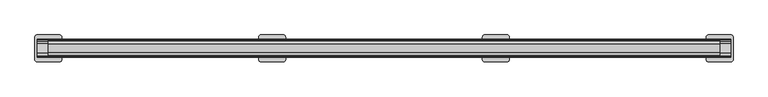
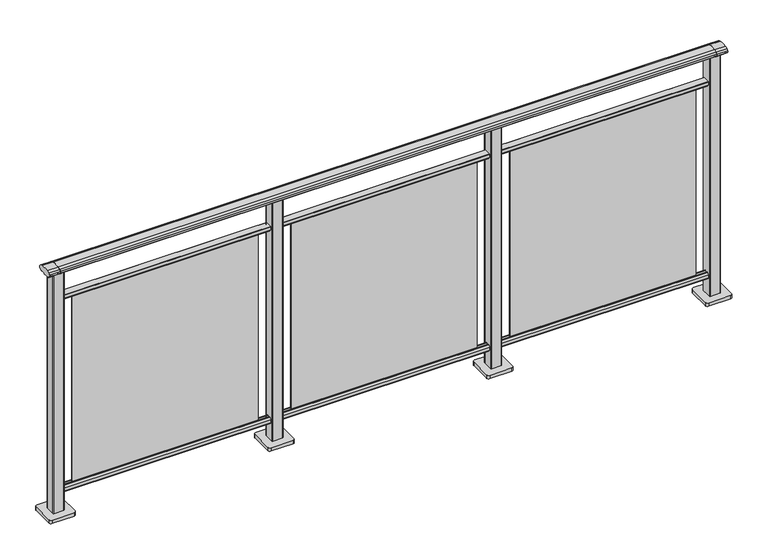
"""IFC4 building model written with IfcOpenShell, lengths in millimetres: railing geometry."""

from ifc_helpers import new_model, si_unit, point, frame, frame_2d, origin, origin_with_axes, place, context, project, spatial, polyline, circle_curve, trimmed, segment, composite_curve, outline, extrude, source, transform, mapped, element, save


def railing_d13cfb86(model_context):
    return source(origin(), model_context, "Body", "SweptSolid", [
        extrude(outline(composite_curve([segment(trimmed(circle_curve(frame_2d((9095.3619413, 1153.851602)), 44.999996), [point((9106.0673858, 1197.5596459))], [point((9118.2601573, 1192.5901015))], False, "CARTESIAN"), True, "CONTINUOUS"), segment(trimmed(circle_curve(frame_2d((9109.6097194, 1177.955556)), 17.0), [point((9118.2601573, 1192.5901015))], [point((9124.1544589, 1186.7561556))], False, "CARTESIAN"), True, "CONTINUOUS"), segment(trimmed(circle_curve(frame_2d((9117.0959826, 1182.4852765)), 8.2499997), [point((9124.1544589, 1186.7561556))], [point((9124.1544535, 1178.2143885))], False, "CARTESIAN"), True, "CONTINUOUS"), segment(trimmed(circle_curve(frame_2d((9109.6097251, 1187.0150065)), 17.0), [point((9124.1544535, 1178.2143885))], [point((9118.2601665, 1172.380463))], False, "CARTESIAN"), True, "CONTINUOUS"), segment(trimmed(circle_curve(frame_2d((9095.3619413, 1211.1189571)), 44.999996), [point((9118.2601665, 1172.380463))], [point((9113.7876029, 1170.064181))], False, "CARTESIAN"), True, "CONTINUOUS"), segment(trimmed(circle_curve(frame_2d((9113.1786159, 1172.1635324)), 2.185896), [point((9113.7876029, 1170.064181))], [point((9112.9960148, 1169.9852766))], False, "CARTESIAN"), True, "CONTINUOUS"), segment(trimmed(circle_curve(frame_2d((9112.9960148, 1170.8852766)), 0.9), [point((9112.9960148, 1169.9852766))], [point((9112.0981091, 1170.8239135))], False, "CARTESIAN"), True, "CONTINUOUS"), segment(trimmed(circle_curve(frame_2d((9111.5194733, 1170.8239135)), 0.5786359), [point((9112.0981091, 1170.8239135))], [point((9111.5194733, 1170.2452777))], False, "CARTESIAN"), True, "CONTINUOUS"), segment(polyline([(9111.5194733, 1170.2452777), (9094.5751393, 1170.2452777)]), True, "CONTINUOUS"), segment(trimmed(circle_curve(frame_2d((9085.8508208, 1187.1238497)), 18.999998), [point((9094.5751393, 1170.2452777))], [point((9077.1265024, 1170.2452777))], False, "CARTESIAN"), True, "CONTINUOUS"), segment(polyline([(9077.1265024, 1170.2452777), (9060.1821348, 1170.2452777)]), True, "CONTINUOUS"), segment(trimmed(circle_curve(frame_2d((9060.1821348, 1170.8239135)), 0.5786359), [point((9060.1821348, 1170.2452777))], [point((9059.603499, 1170.8239135))], False, "CARTESIAN"), True, "CONTINUOUS"), segment(trimmed(circle_curve(frame_2d((9058.7055933, 1170.8852766)), 0.9), [point((9059.603499, 1170.8239135))], [point((9058.7055933, 1169.9852766))], False, "CARTESIAN"), True, "CONTINUOUS"), segment(trimmed(circle_curve(frame_2d((9058.5229922, 1172.1635324)), 2.185896), [point((9058.7055933, 1169.9852766))], [point((9057.9140052, 1170.064181))], False, "CARTESIAN"), True, "CONTINUOUS"), segment(trimmed(circle_curve(frame_2d((9076.3396668, 1211.1189571)), 44.999996), [point((9057.9140052, 1170.064181))], [point((9053.8767914, 1172.1264081))], False, "CARTESIAN"), True, "CONTINUOUS"), segment(trimmed(circle_curve(frame_2d((9062.082215, 1187.0150288)), 17.0), [point((9053.8767914, 1172.1264081))], [point((9047.5375128, 1178.2143675))], False, "CARTESIAN"), True, "CONTINUOUS"), segment(trimmed(circle_curve(frame_2d((9054.595971, 1182.4852765)), 8.2499997), [point((9047.5375128, 1178.2143675))], [point((9047.5375074, 1186.7561766))], False, "CARTESIAN"), True, "CONTINUOUS"), segment(trimmed(circle_curve(frame_2d((9062.0822207, 1177.9555337)), 17.0), [point((9047.5375074, 1186.7561766))], [point((9053.4317599, 1192.5900657))], False, "CARTESIAN"), True, "CONTINUOUS"), segment(trimmed(circle_curve(frame_2d((9076.3300365, 1153.851602)), 44.999996), [point((9053.4317599, 1192.5900657))], [point((9065.624592, 1197.5596459))], False, "CARTESIAN"), True, "CONTINUOUS"), segment(trimmed(circle_curve(frame_2d((9085.8459889, 1115.0000001)), 85.0), [point((9065.624592, 1197.5596459))], [point((9106.0673858, 1197.5596459))], False, "CARTESIAN"), True, "CONTINUOUS")], self_intersect=False)), frame((3691.3946925, 0.0, 0.0), z_axis=(1.0, 0.0, 0.0), x_axis=(0.0, 1.0, 0.0)), (0.0, 0.0, 1.0), 3000.0),
        extrude(outline(composite_curve([segment(polyline([(9101.5508136, 100.0), (9070.1507946, 100.0)]), True, "CONTINUOUS"), segment(trimmed(circle_curve(frame_2d((9070.1507946, 101.8)), 1.8), [point((9070.1507946, 100.0))], [point((9068.3507946, 101.8))], False, "CARTESIAN"), True, "CONTINUOUS"), segment(polyline([(9068.3507946, 101.8), (9068.3507946, 115.5269955)]), True, "CONTINUOUS"), segment(trimmed(circle_curve(frame_2d((9070.1507946, 115.5269955)), 1.8), [point((9068.3507946, 115.5269955))], [point((9068.7923399, 116.7079277))], False, "CARTESIAN"), True, "CONTINUOUS"), segment(polyline([(9068.7923399, 116.7079277), (9075.4626384, 124.3809322)]), True, "CONTINUOUS"), segment(trimmed(circle_curve(frame_2d((9076.8210931, 123.2)), 1.8), [point((9075.4626384, 124.3809322))], [point((9076.8210931, 125.0))], False, "CARTESIAN"), True, "CONTINUOUS"), segment(polyline([(9076.8210931, 125.0), (9080.5111113, 125.0), (9081.809143, 113.0), (9089.8924411, 113.0), (9091.1904978, 125.0), (9094.88054, 125.0)]), True, "CONTINUOUS"), segment(trimmed(circle_curve(frame_2d((9094.88054, 123.2)), 1.8), [point((9094.88054, 125.0))], [point((9096.2389969, 124.3809297))], False, "CARTESIAN"), True, "CONTINUOUS"), segment(polyline([(9096.2389969, 124.3809297), (9102.9092704, 116.7079252)]), True, "CONTINUOUS"), segment(trimmed(circle_curve(frame_2d((9101.5508136, 115.5269955)), 1.8), [point((9102.9092704, 116.7079252))], [point((9103.3508136, 115.5269955))], False, "CARTESIAN"), True, "CONTINUOUS"), segment(polyline([(9103.3508136, 115.5269955), (9103.3508136, 101.8)]), True, "CONTINUOUS"), segment(trimmed(circle_curve(frame_2d((9101.5508136, 101.8)), 1.8), [point((9103.3508136, 101.8))], [point((9101.5508136, 100.0))], False, "CARTESIAN"), True, "CONTINUOUS")], self_intersect=False)), frame((3691.3946925, 0.0, 0.0), z_axis=(1.0, 0.0, 0.0), x_axis=(0.0, 1.0, 0.0)), (0.0, 0.0, 1.0), 3000.0),
        extrude(outline(composite_curve([segment(polyline([(9070.1507946, 1050.0), (9101.5508136, 1050.0)]), True, "CONTINUOUS"), segment(trimmed(circle_curve(frame_2d((9101.5508136, 1048.2)), 1.8), [point((9101.5508136, 1050.0))], [point((9103.3508136, 1048.2))], False, "CARTESIAN"), True, "CONTINUOUS"), segment(polyline([(9103.3508136, 1048.2), (9103.3508136, 1034.4730045)]), True, "CONTINUOUS"), segment(trimmed(circle_curve(frame_2d((9101.5508136, 1034.4730045)), 1.8), [point((9103.3508136, 1034.4730045))], [point((9102.9092704, 1033.2920748))], False, "CARTESIAN"), True, "CONTINUOUS"), segment(polyline([(9102.9092704, 1033.2920748), (9096.2389969, 1025.6190703)]), True, "CONTINUOUS"), segment(trimmed(circle_curve(frame_2d((9094.88054, 1026.8)), 1.8), [point((9096.2389969, 1025.6190703))], [point((9094.88054, 1025.0))], False, "CARTESIAN"), True, "CONTINUOUS"), segment(polyline([(9094.88054, 1025.0), (9091.1904978, 1025.0), (9089.8924411, 1037.0), (9081.809143, 1037.0), (9080.5111113, 1025.0), (9076.8210931, 1025.0)]), True, "CONTINUOUS"), segment(trimmed(circle_curve(frame_2d((9076.8210931, 1026.8)), 1.8), [point((9076.8210931, 1025.0))], [point((9075.4626384, 1025.6190678))], False, "CARTESIAN"), True, "CONTINUOUS"), segment(polyline([(9075.4626384, 1025.6190678), (9068.7923399, 1033.2920723)]), True, "CONTINUOUS"), segment(trimmed(circle_curve(frame_2d((9070.1507946, 1034.4730045)), 1.8), [point((9068.7923399, 1033.2920723))], [point((9068.3507946, 1034.4730045))], False, "CARTESIAN"), True, "CONTINUOUS"), segment(polyline([(9068.3507946, 1034.4730045), (9068.3507946, 1048.2)]), True, "CONTINUOUS"), segment(trimmed(circle_curve(frame_2d((9070.1507946, 1048.2)), 1.8), [point((9068.3507946, 1048.2))], [point((9070.1507946, 1050.0))], False, "CARTESIAN"), True, "CONTINUOUS")], self_intersect=False)), frame((3691.3946925, 0.0, 0.0), z_axis=(1.0, 0.0, 0.0), x_axis=(0.0, 1.0, 0.0)), (0.0, 0.0, 1.0), 3000.0),
        extrude(outline(polyline([(5766.3946925, 9087.8508041), (6616.3946925, 9087.8508041), (6616.3946925, 9083.8508041), (5766.3946925, 9083.8508041), (5766.3946925, 9087.8508041)])), frame((0.0, 0.0, 125.0), z_axis=(0.0, 0.0, 1.0), x_axis=(1.0, 0.0, 0.0)), (0.0, 0.0, 1.0), 900.0),
        extrude(outline(composite_curve([segment(trimmed(circle_curve(frame_2d((5668.994681, 9108.2508266)), 3.0), [point((5665.994681, 9108.2508266))], [point((5668.994681, 9111.2508266))], False, "CARTESIAN"), True, "CONTINUOUS"), segment(polyline([(5668.994681, 9111.2508266), (5713.794704, 9111.2508266)]), True, "CONTINUOUS"), segment(trimmed(circle_curve(frame_2d((5713.794704, 9108.2508266)), 3.0), [point((5713.794704, 9111.2508266))], [point((5716.794704, 9108.2508266))], False, "CARTESIAN"), True, "CONTINUOUS"), segment(polyline([(5716.794704, 9108.2508266), (5716.794704, 9063.4508036)]), True, "CONTINUOUS"), segment(trimmed(circle_curve(frame_2d((5713.794704, 9063.4508036)), 3.0), [point((5716.794704, 9063.4508036))], [point((5713.794704, 9060.4508036))], False, "CARTESIAN"), True, "CONTINUOUS"), segment(polyline([(5713.794704, 9060.4508036), (5668.994681, 9060.4508036)]), True, "CONTINUOUS"), segment(trimmed(circle_curve(frame_2d((5668.994681, 9063.4508036)), 3.0), [point((5668.994681, 9060.4508036))], [point((5665.994681, 9063.4508036))], False, "CARTESIAN"), True, "CONTINUOUS"), segment(polyline([(5665.994681, 9063.4508036), (5665.994681, 9108.2508266)]), True, "CONTINUOUS")], self_intersect=False)), frame((0.0, 0.0, 16.0), z_axis=(0.0, 0.0, 1.0), x_axis=(1.0, 0.0, 0.0)), (0.0, 0.0, 1.0), 1152.1238517),
        extrude(outline(composite_curve([segment(trimmed(circle_curve(frame_2d((5641.394681, 9135.8508151)), 10.0), [point((5631.394681, 9135.8508151))], [point((5641.394681, 9145.8508151))], False, "CARTESIAN"), True, "CONTINUOUS"), segment(polyline([(5641.394681, 9145.8508151), (5741.394681, 9145.8508151)]), True, "CONTINUOUS"), segment(trimmed(circle_curve(frame_2d((5741.394681, 9135.8508151)), 10.0), [point((5741.394681, 9145.8508151))], [point((5751.394681, 9135.8508151))], False, "CARTESIAN"), True, "CONTINUOUS"), segment(polyline([(5751.394681, 9135.8508151), (5751.394681, 9035.8508151)]), True, "CONTINUOUS"), segment(trimmed(circle_curve(frame_2d((5741.394681, 9035.8508151)), 10.0), [point((5751.394681, 9035.8508151))], [point((5741.394681, 9025.8508151))], False, "CARTESIAN"), True, "CONTINUOUS"), segment(polyline([(5741.394681, 9025.8508151), (5641.394681, 9025.8508151)]), True, "CONTINUOUS"), segment(trimmed(circle_curve(frame_2d((5641.394681, 9035.8508151)), 10.0), [point((5641.394681, 9025.8508151))], [point((5631.394681, 9035.8508151))], False, "CARTESIAN"), True, "CONTINUOUS"), segment(polyline([(5631.394681, 9035.8508151), (5631.394681, 9135.8508151)]), True, "CONTINUOUS")], self_intersect=False)), origin_with_axes(), (0.0, 0.0, 1.0), 16.0),
        extrude(outline(polyline([(4766.3946925, 9087.8508041), (5616.3946925, 9087.8508041), (5616.3946925, 9083.8508041), (4766.3946925, 9083.8508041), (4766.3946925, 9087.8508041)])), frame((0.0, 0.0, 125.0), z_axis=(0.0, 0.0, 1.0), x_axis=(1.0, 0.0, 0.0)), (0.0, 0.0, 1.0), 900.0),
        extrude(outline(composite_curve([segment(trimmed(circle_curve(frame_2d((4668.994681, 9108.2508266)), 3.0), [point((4665.994681, 9108.2508266))], [point((4668.994681, 9111.2508266))], False, "CARTESIAN"), True, "CONTINUOUS"), segment(polyline([(4668.994681, 9111.2508266), (4713.794704, 9111.2508266)]), True, "CONTINUOUS"), segment(trimmed(circle_curve(frame_2d((4713.794704, 9108.2508266)), 3.0), [point((4713.794704, 9111.2508266))], [point((4716.794704, 9108.2508266))], False, "CARTESIAN"), True, "CONTINUOUS"), segment(polyline([(4716.794704, 9108.2508266), (4716.794704, 9063.4508036)]), True, "CONTINUOUS"), segment(trimmed(circle_curve(frame_2d((4713.794704, 9063.4508036)), 3.0), [point((4716.794704, 9063.4508036))], [point((4713.794704, 9060.4508036))], False, "CARTESIAN"), True, "CONTINUOUS"), segment(polyline([(4713.794704, 9060.4508036), (4668.994681, 9060.4508036)]), True, "CONTINUOUS"), segment(trimmed(circle_curve(frame_2d((4668.994681, 9063.4508036)), 3.0), [point((4668.994681, 9060.4508036))], [point((4665.994681, 9063.4508036))], False, "CARTESIAN"), True, "CONTINUOUS"), segment(polyline([(4665.994681, 9063.4508036), (4665.994681, 9108.2508266)]), True, "CONTINUOUS")], self_intersect=False)), frame((0.0, 0.0, 16.0), z_axis=(0.0, 0.0, 1.0), x_axis=(1.0, 0.0, 0.0)), (0.0, 0.0, 1.0), 1152.1238517),
        extrude(outline(composite_curve([segment(trimmed(circle_curve(frame_2d((4641.394681, 9135.8508151)), 10.0), [point((4631.394681, 9135.8508151))], [point((4641.394681, 9145.8508151))], False, "CARTESIAN"), True, "CONTINUOUS"), segment(polyline([(4641.394681, 9145.8508151), (4741.394681, 9145.8508151)]), True, "CONTINUOUS"), segment(trimmed(circle_curve(frame_2d((4741.394681, 9135.8508151)), 10.0), [point((4741.394681, 9145.8508151))], [point((4751.394681, 9135.8508151))], False, "CARTESIAN"), True, "CONTINUOUS"), segment(polyline([(4751.394681, 9135.8508151), (4751.394681, 9035.8508151)]), True, "CONTINUOUS"), segment(trimmed(circle_curve(frame_2d((4741.394681, 9035.8508151)), 10.0), [point((4751.394681, 9035.8508151))], [point((4741.394681, 9025.8508151))], False, "CARTESIAN"), True, "CONTINUOUS"), segment(polyline([(4741.394681, 9025.8508151), (4641.394681, 9025.8508151)]), True, "CONTINUOUS"), segment(trimmed(circle_curve(frame_2d((4641.394681, 9035.8508151)), 10.0), [point((4641.394681, 9025.8508151))], [point((4631.394681, 9035.8508151))], False, "CARTESIAN"), True, "CONTINUOUS"), segment(polyline([(4631.394681, 9035.8508151), (4631.394681, 9135.8508151)]), True, "CONTINUOUS")], self_intersect=False)), origin_with_axes(), (0.0, 0.0, 1.0), 16.0),
        extrude(outline(polyline([(3766.3946925, 9087.8508041), (4616.3946925, 9087.8508041), (4616.3946925, 9083.8508041), (3766.3946925, 9083.8508041), (3766.3946925, 9087.8508041)])), frame((0.0, 0.0, 125.0), z_axis=(0.0, 0.0, 1.0), x_axis=(1.0, 0.0, 0.0)), (0.0, 0.0, 1.0), 900.0),
        extrude(outline(composite_curve([segment(trimmed(circle_curve(frame_2d((6668.994681, 9108.2508266)), 3.0), [point((6665.994681, 9108.2508266))], [point((6668.994681, 9111.2508266))], False, "CARTESIAN"), True, "CONTINUOUS"), segment(polyline([(6668.994681, 9111.2508266), (6713.794704, 9111.2508266)]), True, "CONTINUOUS"), segment(trimmed(circle_curve(frame_2d((6713.794704, 9108.2508266)), 3.0), [point((6713.794704, 9111.2508266))], [point((6716.794704, 9108.2508266))], False, "CARTESIAN"), True, "CONTINUOUS"), segment(polyline([(6716.794704, 9108.2508266), (6716.794704, 9063.4508036)]), True, "CONTINUOUS"), segment(trimmed(circle_curve(frame_2d((6713.794704, 9063.4508036)), 3.0), [point((6716.794704, 9063.4508036))], [point((6713.794704, 9060.4508036))], False, "CARTESIAN"), True, "CONTINUOUS"), segment(polyline([(6713.794704, 9060.4508036), (6668.994681, 9060.4508036)]), True, "CONTINUOUS"), segment(trimmed(circle_curve(frame_2d((6668.994681, 9063.4508036)), 3.0), [point((6668.994681, 9060.4508036))], [point((6665.994681, 9063.4508036))], False, "CARTESIAN"), True, "CONTINUOUS"), segment(polyline([(6665.994681, 9063.4508036), (6665.994681, 9108.2508266)]), True, "CONTINUOUS")], self_intersect=False)), frame((0.0, 0.0, 16.0), z_axis=(0.0, 0.0, 1.0), x_axis=(1.0, 0.0, 0.0)), (0.0, 0.0, 1.0), 1152.1238517),
        extrude(outline(composite_curve([segment(trimmed(circle_curve(frame_2d((6641.394681, 9135.8508151)), 10.0), [point((6631.394681, 9135.8508151))], [point((6641.394681, 9145.8508151))], False, "CARTESIAN"), True, "CONTINUOUS"), segment(polyline([(6641.394681, 9145.8508151), (6741.394681, 9145.8508151)]), True, "CONTINUOUS"), segment(trimmed(circle_curve(frame_2d((6741.394681, 9135.8508151)), 10.0), [point((6741.394681, 9145.8508151))], [point((6751.394681, 9135.8508151))], False, "CARTESIAN"), True, "CONTINUOUS"), segment(polyline([(6751.394681, 9135.8508151), (6751.394681, 9035.8508151)]), True, "CONTINUOUS"), segment(trimmed(circle_curve(frame_2d((6741.394681, 9035.8508151)), 10.0), [point((6751.394681, 9035.8508151))], [point((6741.394681, 9025.8508151))], False, "CARTESIAN"), True, "CONTINUOUS"), segment(polyline([(6741.394681, 9025.8508151), (6641.394681, 9025.8508151)]), True, "CONTINUOUS"), segment(trimmed(circle_curve(frame_2d((6641.394681, 9035.8508151)), 10.0), [point((6641.394681, 9025.8508151))], [point((6631.394681, 9035.8508151))], False, "CARTESIAN"), True, "CONTINUOUS"), segment(polyline([(6631.394681, 9035.8508151), (6631.394681, 9135.8508151)]), True, "CONTINUOUS")], self_intersect=False)), origin_with_axes(), (0.0, 0.0, 1.0), 16.0),
        extrude(outline(composite_curve([segment(trimmed(circle_curve(frame_2d((9095.3619413, 1153.7397763)), 44.999996), [point((9106.0673858, 1197.4478202))], [point((9118.2601573, 1192.4782759))], False, "CARTESIAN"), True, "CONTINUOUS"), segment(trimmed(circle_curve(frame_2d((9109.6097194, 1177.8437303)), 17.0), [point((9118.2601573, 1192.4782759))], [point((9124.1544589, 1186.64433))], False, "CARTESIAN"), True, "CONTINUOUS"), segment(trimmed(circle_curve(frame_2d((9117.0959826, 1182.3734509)), 8.2499997), [point((9124.1544589, 1186.64433))], [point((9124.1544535, 1178.1025629))], False, "CARTESIAN"), True, "CONTINUOUS"), segment(trimmed(circle_curve(frame_2d((9109.6097251, 1186.9031808)), 17.0), [point((9124.1544535, 1178.1025629))], [point((9118.2601665, 1172.2686373))], False, "CARTESIAN"), True, "CONTINUOUS"), segment(trimmed(circle_curve(frame_2d((9095.3619413, 1211.0071314)), 44.999996), [point((9118.2601665, 1172.2686373))], [point((9113.7876029, 1169.9523554))], False, "CARTESIAN"), True, "CONTINUOUS"), segment(trimmed(circle_curve(frame_2d((9113.1786159, 1172.0517067)), 2.185896), [point((9113.7876029, 1169.9523554))], [point((9112.9960148, 1169.873451))], False, "CARTESIAN"), True, "CONTINUOUS"), segment(trimmed(circle_curve(frame_2d((9112.9960148, 1170.773451)), 0.9), [point((9112.9960148, 1169.873451))], [point((9112.0981091, 1170.7120879))], False, "CARTESIAN"), True, "CONTINUOUS"), segment(trimmed(circle_curve(frame_2d((9111.5194733, 1170.7120879)), 0.5786359), [point((9112.0981091, 1170.7120879))], [point((9111.5194733, 1170.133452))], False, "CARTESIAN"), True, "CONTINUOUS"), segment(polyline([(9111.5194733, 1170.133452), (9094.5751393, 1170.133452)]), True, "CONTINUOUS"), segment(trimmed(circle_curve(frame_2d((9085.8508208, 1187.012024)), 18.999998), [point((9094.5751393, 1170.133452))], [point((9077.1265024, 1170.133452))], False, "CARTESIAN"), True, "CONTINUOUS"), segment(polyline([(9077.1265024, 1170.133452), (9060.1821348, 1170.133452)]), True, "CONTINUOUS"), segment(trimmed(circle_curve(frame_2d((9060.1821348, 1170.7120879)), 0.5786359), [point((9060.1821348, 1170.133452))], [point((9059.603499, 1170.7120879))], False, "CARTESIAN"), True, "CONTINUOUS"), segment(trimmed(circle_curve(frame_2d((9058.7055933, 1170.773451)), 0.9), [point((9059.603499, 1170.7120879))], [point((9058.7055933, 1169.873451))], False, "CARTESIAN"), True, "CONTINUOUS"), segment(trimmed(circle_curve(frame_2d((9058.5229922, 1172.0517067)), 2.185896), [point((9058.7055933, 1169.873451))], [point((9057.9140052, 1169.9523554))], False, "CARTESIAN"), True, "CONTINUOUS"), segment(trimmed(circle_curve(frame_2d((9076.3396668, 1211.0071314)), 44.999996), [point((9057.9140052, 1169.9523554))], [point((9053.8767914, 1172.0145825))], False, "CARTESIAN"), True, "CONTINUOUS"), segment(trimmed(circle_curve(frame_2d((9062.082215, 1186.9032031)), 17.0), [point((9053.8767914, 1172.0145825))], [point((9047.5375128, 1178.1025419))], False, "CARTESIAN"), True, "CONTINUOUS"), segment(trimmed(circle_curve(frame_2d((9054.595971, 1182.3734509)), 8.2499997), [point((9047.5375128, 1178.1025419))], [point((9047.5375074, 1186.644351))], False, "CARTESIAN"), True, "CONTINUOUS"), segment(trimmed(circle_curve(frame_2d((9062.0822207, 1177.843708)), 17.0), [point((9047.5375074, 1186.644351))], [point((9053.4317599, 1192.4782401))], False, "CARTESIAN"), True, "CONTINUOUS"), segment(trimmed(circle_curve(frame_2d((9076.3300365, 1153.7397763)), 44.999996), [point((9053.4317599, 1192.4782401))], [point((9065.624592, 1197.4478202))], False, "CARTESIAN"), True, "CONTINUOUS"), segment(trimmed(circle_curve(frame_2d((9085.8459889, 1114.8881745)), 85.0), [point((9065.624592, 1197.4478202))], [point((9106.0673858, 1197.4478202))], False, "CARTESIAN"), True, "CONTINUOUS")], self_intersect=False)), frame((6691.3946925, 0.0, 0.0), z_axis=(1.0, 0.0, 0.0), x_axis=(0.0, 1.0, 0.0)), (0.0, 0.0, 1.0), 50.0),
        extrude(outline(composite_curve([segment(trimmed(circle_curve(frame_2d((3668.994681, 9108.2508266)), 3.0), [point((3665.994681, 9108.2508266))], [point((3668.994681, 9111.2508266))], False, "CARTESIAN"), True, "CONTINUOUS"), segment(polyline([(3668.994681, 9111.2508266), (3713.794704, 9111.2508266)]), True, "CONTINUOUS"), segment(trimmed(circle_curve(frame_2d((3713.794704, 9108.2508266)), 3.0), [point((3713.794704, 9111.2508266))], [point((3716.794704, 9108.2508266))], False, "CARTESIAN"), True, "CONTINUOUS"), segment(polyline([(3716.794704, 9108.2508266), (3716.794704, 9063.4508036)]), True, "CONTINUOUS"), segment(trimmed(circle_curve(frame_2d((3713.794704, 9063.4508036)), 3.0), [point((3716.794704, 9063.4508036))], [point((3713.794704, 9060.4508036))], False, "CARTESIAN"), True, "CONTINUOUS"), segment(polyline([(3713.794704, 9060.4508036), (3668.994681, 9060.4508036)]), True, "CONTINUOUS"), segment(trimmed(circle_curve(frame_2d((3668.994681, 9063.4508036)), 3.0), [point((3668.994681, 9060.4508036))], [point((3665.994681, 9063.4508036))], False, "CARTESIAN"), True, "CONTINUOUS"), segment(polyline([(3665.994681, 9063.4508036), (3665.994681, 9108.2508266)]), True, "CONTINUOUS")], self_intersect=False)), frame((0.0, 0.0, 16.0), z_axis=(0.0, 0.0, 1.0), x_axis=(1.0, 0.0, 0.0)), (0.0, 0.0, 1.0), 1152.1238517),
        extrude(outline(composite_curve([segment(trimmed(circle_curve(frame_2d((3641.394681, 9135.8508151)), 10.0), [point((3631.394681, 9135.8508151))], [point((3641.394681, 9145.8508151))], False, "CARTESIAN"), True, "CONTINUOUS"), segment(polyline([(3641.394681, 9145.8508151), (3741.394681, 9145.8508151)]), True, "CONTINUOUS"), segment(trimmed(circle_curve(frame_2d((3741.394681, 9135.8508151)), 10.0), [point((3741.394681, 9145.8508151))], [point((3751.394681, 9135.8508151))], False, "CARTESIAN"), True, "CONTINUOUS"), segment(polyline([(3751.394681, 9135.8508151), (3751.394681, 9035.8508151)]), True, "CONTINUOUS"), segment(trimmed(circle_curve(frame_2d((3741.394681, 9035.8508151)), 10.0), [point((3751.394681, 9035.8508151))], [point((3741.394681, 9025.8508151))], False, "CARTESIAN"), True, "CONTINUOUS"), segment(polyline([(3741.394681, 9025.8508151), (3641.394681, 9025.8508151)]), True, "CONTINUOUS"), segment(trimmed(circle_curve(frame_2d((3641.394681, 9035.8508151)), 10.0), [point((3641.394681, 9025.8508151))], [point((3631.394681, 9035.8508151))], False, "CARTESIAN"), True, "CONTINUOUS"), segment(polyline([(3631.394681, 9035.8508151), (3631.394681, 9135.8508151)]), True, "CONTINUOUS")], self_intersect=False)), origin_with_axes(), (0.0, 0.0, 1.0), 16.0),
        extrude(outline(composite_curve([segment(trimmed(circle_curve(frame_2d((9095.3619413, 1153.7397763)), 44.999996), [point((9106.0673858, 1197.4478202))], [point((9118.2601573, 1192.4782759))], False, "CARTESIAN"), True, "CONTINUOUS"), segment(trimmed(circle_curve(frame_2d((9109.6097194, 1177.8437303)), 17.0), [point((9118.2601573, 1192.4782759))], [point((9124.1544589, 1186.64433))], False, "CARTESIAN"), True, "CONTINUOUS"), segment(trimmed(circle_curve(frame_2d((9117.0959826, 1182.3734509)), 8.2499997), [point((9124.1544589, 1186.64433))], [point((9124.1544535, 1178.1025629))], False, "CARTESIAN"), True, "CONTINUOUS"), segment(trimmed(circle_curve(frame_2d((9109.6097251, 1186.9031808)), 17.0), [point((9124.1544535, 1178.1025629))], [point((9118.2601665, 1172.2686373))], False, "CARTESIAN"), True, "CONTINUOUS"), segment(trimmed(circle_curve(frame_2d((9095.3619413, 1211.0071314)), 44.999996), [point((9118.2601665, 1172.2686373))], [point((9113.7876029, 1169.9523554))], False, "CARTESIAN"), True, "CONTINUOUS"), segment(trimmed(circle_curve(frame_2d((9113.1786159, 1172.0517067)), 2.185896), [point((9113.7876029, 1169.9523554))], [point((9112.9960148, 1169.873451))], False, "CARTESIAN"), True, "CONTINUOUS"), segment(trimmed(circle_curve(frame_2d((9112.9960148, 1170.773451)), 0.9), [point((9112.9960148, 1169.873451))], [point((9112.0981091, 1170.7120879))], False, "CARTESIAN"), True, "CONTINUOUS"), segment(trimmed(circle_curve(frame_2d((9111.5194733, 1170.7120879)), 0.5786359), [point((9112.0981091, 1170.7120879))], [point((9111.5194733, 1170.133452))], False, "CARTESIAN"), True, "CONTINUOUS"), segment(polyline([(9111.5194733, 1170.133452), (9094.5751393, 1170.133452)]), True, "CONTINUOUS"), segment(trimmed(circle_curve(frame_2d((9085.8508208, 1187.012024)), 18.999998), [point((9094.5751393, 1170.133452))], [point((9077.1265024, 1170.133452))], False, "CARTESIAN"), True, "CONTINUOUS"), segment(polyline([(9077.1265024, 1170.133452), (9060.1821348, 1170.133452)]), True, "CONTINUOUS"), segment(trimmed(circle_curve(frame_2d((9060.1821348, 1170.7120879)), 0.5786359), [point((9060.1821348, 1170.133452))], [point((9059.603499, 1170.7120879))], False, "CARTESIAN"), True, "CONTINUOUS"), segment(trimmed(circle_curve(frame_2d((9058.7055933, 1170.773451)), 0.9), [point((9059.603499, 1170.7120879))], [point((9058.7055933, 1169.873451))], False, "CARTESIAN"), True, "CONTINUOUS"), segment(trimmed(circle_curve(frame_2d((9058.5229922, 1172.0517067)), 2.185896), [point((9058.7055933, 1169.873451))], [point((9057.9140052, 1169.9523554))], False, "CARTESIAN"), True, "CONTINUOUS"), segment(trimmed(circle_curve(frame_2d((9076.3396668, 1211.0071314)), 44.999996), [point((9057.9140052, 1169.9523554))], [point((9053.8767914, 1172.0145825))], False, "CARTESIAN"), True, "CONTINUOUS"), segment(trimmed(circle_curve(frame_2d((9062.082215, 1186.9032031)), 17.0), [point((9053.8767914, 1172.0145825))], [point((9047.5375128, 1178.1025419))], False, "CARTESIAN"), True, "CONTINUOUS"), segment(trimmed(circle_curve(frame_2d((9054.595971, 1182.3734509)), 8.2499997), [point((9047.5375128, 1178.1025419))], [point((9047.5375074, 1186.644351))], False, "CARTESIAN"), True, "CONTINUOUS"), segment(trimmed(circle_curve(frame_2d((9062.0822207, 1177.843708)), 17.0), [point((9047.5375074, 1186.644351))], [point((9053.4317599, 1192.4782401))], False, "CARTESIAN"), True, "CONTINUOUS"), segment(trimmed(circle_curve(frame_2d((9076.3300365, 1153.7397763)), 44.999996), [point((9053.4317599, 1192.4782401))], [point((9065.624592, 1197.4478202))], False, "CARTESIAN"), True, "CONTINUOUS"), segment(trimmed(circle_curve(frame_2d((9085.8459889, 1114.8881745)), 85.0), [point((9065.624592, 1197.4478202))], [point((9106.0673858, 1197.4478202))], False, "CARTESIAN"), True, "CONTINUOUS")], self_intersect=False)), frame((3641.3946925, 0.0, 0.0), z_axis=(1.0, 0.0, 0.0), x_axis=(0.0, 1.0, 0.0)), (0.0, 0.0, 1.0), 50.0),
    ])


if __name__ == "__main__":
    model = new_model("IFC4")
    model_context = context("Model", 3, world=origin())
    ifc_project = project(units=[si_unit("LENGTHUNIT", "METRE", prefix="MILLI")], contexts=[model_context])
    site = spatial("IfcSite", under=ifc_project)
    building = spatial("IfcBuilding", under=site)
    placement = place(None, origin())
    railing_shape = railing_d13cfb86(model_context)
    element("IfcRailing", 1, at=placement, inside=building, context=model_context, shape_type="MappedRepresentation", body=[
        mapped(railing_shape, transform((0.0, 0.0, 0.0), x_axis=(1.0, 0.0, 0.0), y_axis=(0.0, 1.0, 0.0), z_axis=(0.0, 0.0, 1.0))),
    ])
    save(model, "model.ifc")
